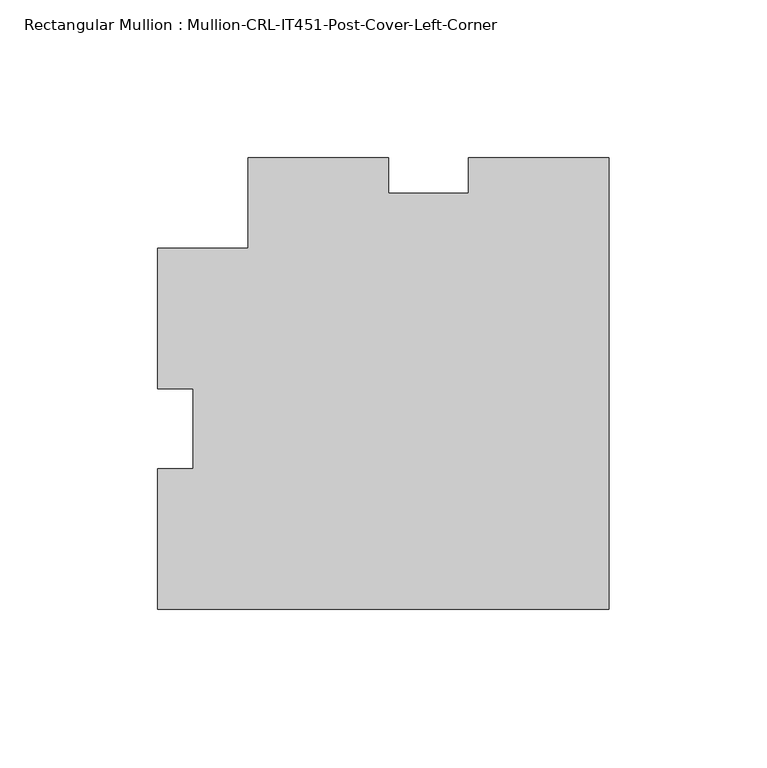
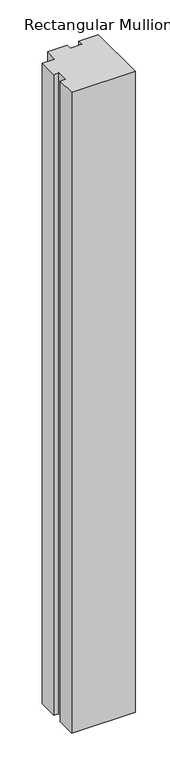
"""IFC4 building model written with IfcOpenShell, lengths in millimetres: member geometry, Rectangular Mullion : Mullion-CRL-IT451-Post-Cover-Left-Corner."""

import ifcopenshell
import ifcopenshell.guid

model = None  # the IFC model being written
_history = None  # IfcOwnerHistory: only IFC2X3 demands one
_inside = {}  # id of a spatial element -> (the spatial element, [elements in it])
_under = {}  # id of a project, library or spatial element -> (it, [spatial elements below it])
_declared = {}  # id of a project -> (the project, [libraries it declares])
_typed = {}  # id of a type object -> (the type object, [elements of that type])
_made_of = {}  # id of a material, layer set ... -> (it, [elements and type objects made of it])


def new_model(schema):
    """Start an empty IFC model of exactly this schema.

    Asked for "IFC4X3", IfcOpenShell would pick the latest addendum, in which some entities
    have other attributes; the version numbers below select the first issue.
    IFC2X3 requires an IfcOwnerHistory on every rooted entity: one is made here for all.
    """
    global model, _history
    if schema == "IFC4X3":
        model = ifcopenshell.file(schema_version=(4, 3, 0, 0))
    else:
        model = ifcopenshell.file(schema=schema)
    _inside.clear()
    _under.clear()
    _declared.clear()
    _typed.clear()
    _made_of.clear()
    _history = None
    if model.schema == "IFC2X3":
        org = make("IfcOrganization", Name="unknown")
        user = make(
            "IfcPersonAndOrganization",
            ThePerson=make("IfcPerson", FamilyName="unknown"),
            TheOrganization=org,
        )
        app = make(
            "IfcApplication",
            ApplicationDeveloper=org,
            Version="unknown",
            ApplicationFullName="unknown",
            ApplicationIdentifier="unknown",
        )
        _history = make(
            "IfcOwnerHistory",
            OwningUser=user,
            OwningApplication=app,
            ChangeAction="ADDED",
            CreationDate=0,
        )
    return model


def make(cls, **values):
    """One entity of the class cls with the attributes given. An attribute that is None is left unset."""
    return model.create_entity(
        cls, **{name: value for name, value in values.items() if value is not None}
    )


def rooted(cls, **values):
    """An entity with a GlobalId (a new one), such as an element, a storey or a relation."""
    return make(cls, GlobalId=ifcopenshell.guid.new(), OwnerHistory=_history, **values)


def si_unit(unit_type, name, prefix=None):
    """IfcSIUnit, for example si_unit("LENGTHUNIT", "METRE", prefix="MILLI")."""
    return make("IfcSIUnit", UnitType=unit_type, Prefix=prefix, Name=name)


def assignment(units):
    """IfcUnitAssignment: the units of a project."""
    return None if units is None else make("IfcUnitAssignment", Units=units)


def point(xyz):
    """IfcCartesianPoint."""
    return None if xyz is None else make("IfcCartesianPoint", Coordinates=xyz)


def direction(xyz):
    """IfcDirection."""
    return None if xyz is None else make("IfcDirection", DirectionRatios=xyz)


def frame(location, z_axis=None, x_axis=None):
    """IfcAxis2Placement3D, a coordinate frame: its origin and axes. An axis left out is left unset."""
    return make(
        "IfcAxis2Placement3D",
        Location=point(location),
        Axis=direction(z_axis),
        RefDirection=direction(x_axis),
    )


def origin():
    """The frame at (0, 0, 0) with its axes left unset."""
    return frame((0.0, 0.0, 0.0))


def place(relative_to, where):
    """IfcLocalPlacement: puts the frame where relative to a parent placement (None: the world)."""
    return make(
        "IfcLocalPlacement", PlacementRelTo=relative_to, RelativePlacement=where
    )


def context(
    kind, dimensions, precision=None, world=None, true_north=None, identifier=None
):
    """IfcGeometricRepresentationContext, for example the 3D "Model" context."""
    return make(
        "IfcGeometricRepresentationContext",
        ContextIdentifier=identifier,
        ContextType=kind,
        CoordinateSpaceDimension=dimensions,
        Precision=precision,
        WorldCoordinateSystem=world,
        TrueNorth=true_north,
    )


def project(units=None, contexts=None):
    """IfcProject with its units and contexts."""
    return rooted(
        "IfcProject",
        Name="project",
        RepresentationContexts=contexts,
        UnitsInContext=assignment(units),
    )


def spatial(cls, under=None, at=None, **own):
    """A site, building, storey or space (cls), placed at a placement, below another one or the project."""
    s = rooted(cls, ObjectPlacement=at, **own)
    if under is not None:
        _under.setdefault(under.id(), (under, []))[1].append(s)
    return s


def polyline(points):
    """IfcPolyline through the points."""
    return make("IfcPolyline", Points=[point(p) for p in points])


def outline(outer, holes=None, kind="AREA"):
    """IfcArbitraryClosedProfileDef: a profile drawn as a closed curve; with holes, ...WithVoids."""
    if holes is None:
        return make("IfcArbitraryClosedProfileDef", ProfileType=kind, OuterCurve=outer)
    return make(
        "IfcArbitraryProfileDefWithVoids",
        ProfileType=kind,
        OuterCurve=outer,
        InnerCurves=holes,
    )


def extrude(swept, where, along, depth):
    """IfcExtrudedAreaSolid: the profile swept, set in the frame where, extruded along a direction by depth."""
    return make(
        "IfcExtrudedAreaSolid",
        SweptArea=swept,
        Position=where,
        ExtrudedDirection=direction(along),
        Depth=depth,
    )


def shape(context_of_items, identifier, shape_type, items):
    """IfcShapeRepresentation: the items that make up one representation, for example the "Body"."""
    return make(
        "IfcShapeRepresentation",
        ContextOfItems=context_of_items,
        RepresentationIdentifier=identifier,
        RepresentationType=shape_type,
        Items=items,
    )


def source(mapping_origin, context_of_items, identifier, shape_type, items):
    """IfcRepresentationMap: a shape defined once, which mapped items show again and again."""
    return make(
        "IfcRepresentationMap",
        MappingOrigin=mapping_origin,
        MappedRepresentation=shape(context_of_items, identifier, shape_type, items),
    )


def transform(
    local_origin,
    x_axis=None,
    y_axis=None,
    z_axis=None,
    scale=None,
    scale2=None,
    scale3=None,
    uniform=True,
):
    """IfcCartesianTransformationOperator3D, or its non-uniform kind. x_axis, y_axis, z_axis: its Axis1, 2, 3."""
    if uniform:
        return make(
            "IfcCartesianTransformationOperator3D",
            Axis1=direction(x_axis),
            Axis2=direction(y_axis),
            LocalOrigin=point(local_origin),
            Scale=scale,
            Axis3=direction(z_axis),
        )
    return make(
        "IfcCartesianTransformationOperator3DnonUniform",
        Axis1=direction(x_axis),
        Axis2=direction(y_axis),
        LocalOrigin=point(local_origin),
        Scale=scale,
        Axis3=direction(z_axis),
        Scale2=scale2,
        Scale3=scale3,
    )


def mapped(mapping_source, mapping_target):
    """IfcMappedItem: shows the shape of a source again, moved by a transform."""
    return make(
        "IfcMappedItem", MappingSource=mapping_source, MappingTarget=mapping_target
    )


def made_of(thing, what):
    """Note that an element or type object is made of a material, layer set ...; save() writes the relation."""
    if what is not None:
        _made_of.setdefault(what.id(), (what, []))[1].append(thing)
    return thing


def element(
    cls,
    number,
    at=None,
    inside=None,
    cuts=None,
    type_object=None,
    material=None,
    context=None,
    identifier="Body",
    shape_type=None,
    held_by="IfcProductDefinitionShape",
    body=None,
    shapes=None,
    **own,
):
    """One element of the class cls, such as IfcWall. Its Tag is "e" and its number.

    at: its placement. inside: the storey or other place that contains it. cuts: it is an
    opening in that element (IfcRelVoidsElement). A single representation is given by context,
    identifier, shape_type and body (its items); several are given by shapes. held_by: the class
    of the entity that holds the representations. save() writes the other relations.
    """
    e = rooted(cls, Tag="e%d" % number, ObjectPlacement=at, **own)
    if body is not None:
        shapes = [shape(context, identifier, shape_type, body)]
    if shapes is not None:
        e.Representation = make(held_by, Representations=shapes)
    if inside is not None:
        _inside.setdefault(inside.id(), (inside, []))[1].append(e)
    if cuts is not None:
        rooted(
            "IfcRelVoidsElement", RelatingBuildingElement=cuts, RelatedOpeningElement=e
        )
    if type_object is not None:
        _typed.setdefault(type_object.id(), (type_object, []))[1].append(e)
    return made_of(e, material)


def aggregate(whole, parts):
    """IfcRelAggregates: a whole, such as a stair, and the parts it consists of."""
    return rooted("IfcRelAggregates", RelatingObject=whole, RelatedObjects=parts)


def save(model, path):
    """Write the relations noted so far, then the file.

    IfcRelAggregates (storeys below a building ...), IfcRelContainedInSpatialStructure (elements
    in a storey), IfcRelDefinesByType, IfcRelAssociatesMaterial and IfcRelDeclares: one each for
    every whole, place, type object, material and project.
    """
    for whole, parts in _under.values():
        aggregate(whole, parts)
    for where, things in _inside.values():
        rooted(
            "IfcRelContainedInSpatialStructure",
            RelatedElements=things,
            RelatingStructure=where,
        )
    for kind, things in _typed.values():
        rooted("IfcRelDefinesByType", RelatedObjects=things, RelatingType=kind)
    for what, things in _made_of.values():
        rooted("IfcRelAssociatesMaterial", RelatedObjects=things, RelatingMaterial=what)
    for by, libraries in _declared.values():
        rooted("IfcRelDeclares", RelatingContext=by, RelatedDefinitions=libraries)
    model.write(path)


def rectangular_mullion_mullion_crl_it451_post_cover_left_corner_06e0fd36(model_context):
    return source(origin(), model_context, "Body", "SweptSolid", [
        extrude(outline(polyline([(0.0, -57.15), (-142.875, -57.15), (-142.875, -12.7), (-131.7625, -12.7), (-131.7625, 12.7), (-142.875, 12.7), (-142.875, 57.15), (-114.2999758, 57.15), (-114.2999758, 85.725), (-69.85, 85.725), (-69.85, 74.6125), (-44.45, 74.6125), (-44.45, 85.725), (0.0, 85.725), (0.0, -57.15)])), frame((0.0, 0.0, -1524.0), z_axis=(0.0, 0.0, 1.0), x_axis=(1.0, 0.0, 0.0)), (0.0, 0.0, 1.0), 1524.0),
    ])


if __name__ == "__main__":
    model = new_model("IFC4")
    model_context = context("Model", 3, world=origin())
    ifc_project = project(units=[si_unit("LENGTHUNIT", "METRE", prefix="MILLI")], contexts=[model_context])
    site = spatial("IfcSite", under=ifc_project)
    building = spatial("IfcBuilding", under=site)
    placement = place(None, origin())
    rectangular_mullion_mullion_crl_it451_post_cover_left_corner_shape = rectangular_mullion_mullion_crl_it451_post_cover_left_corner_06e0fd36(model_context)
    element("IfcMember", 1, ObjectType="Rectangular Mullion : Mullion-CRL-IT451-Post-Cover-Left-Corner", at=placement, inside=building, context=model_context, shape_type="MappedRepresentation", body=[
        mapped(rectangular_mullion_mullion_crl_it451_post_cover_left_corner_shape, transform((0.0, 0.0, 0.0), x_axis=(1.0, 0.0, 0.0), y_axis=(0.0, 1.0, 0.0), z_axis=(0.0, 0.0, 1.0))),
    ])
    save(model, "model.ifc")
